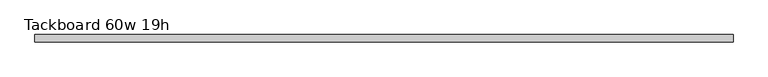
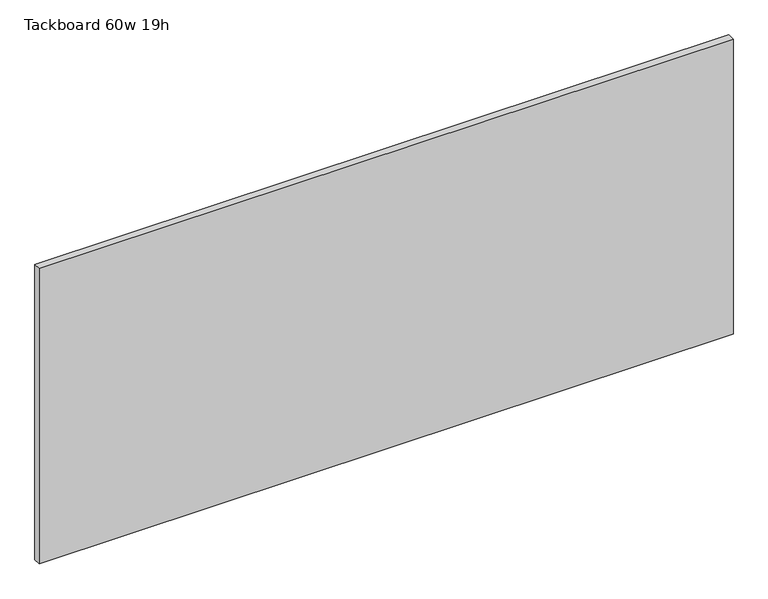
"""IFC4 building model written with IfcOpenShell, lengths in millimetres: furniture geometry, Tackboard 60w 19h."""

from ifc_helpers import new_model, si_unit, frame, origin, place, context, project, spatial, polyline, outline, extrude, source, transform, mapped, element, save


def tackboard_60w_19h_a7936005(model_context):
    return source(origin(), model_context, "Body", "SweptSolid", [
        extrude(outline(polyline([(764.4402902, -28.8968594), (-759.5597098, -28.8968594), (-759.5597098, -13.0218594), (764.4402902, -13.0218594), (764.4402902, -28.8968594)])), frame((0.0, 0.0, 1066.8), z_axis=(0.0, 0.0, 1.0), x_axis=(1.0, 0.0, 0.0)), (0.0, 0.0, 1.0), 685.8),
    ])


if __name__ == "__main__":
    model = new_model("IFC4")
    model_context = context("Model", 3, world=origin())
    ifc_project = project(units=[si_unit("LENGTHUNIT", "METRE", prefix="MILLI")], contexts=[model_context])
    site = spatial("IfcSite", under=ifc_project)
    building = spatial("IfcBuilding", under=site)
    placement = place(None, origin())
    tackboard_60w_19h_shape = tackboard_60w_19h_a7936005(model_context)
    element("IfcFurniture", 1, ObjectType="Tackboard 60w 19h", at=placement, inside=building, context=model_context, shape_type="MappedRepresentation", body=[
        mapped(tackboard_60w_19h_shape, transform((0.0, 0.0, 0.0), x_axis=(1.0, 0.0, 0.0), y_axis=(0.0, 1.0, 0.0), z_axis=(0.0, 0.0, 1.0))),
    ])
    save(model, "model.ifc")
